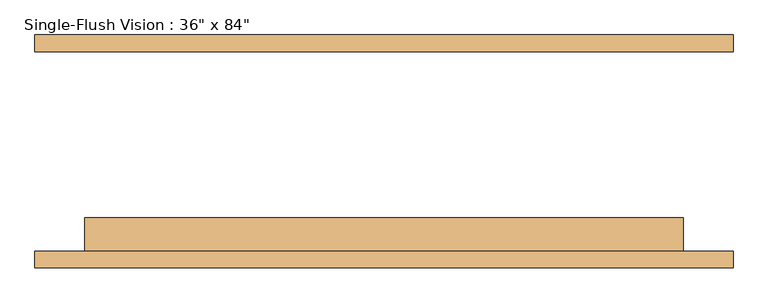
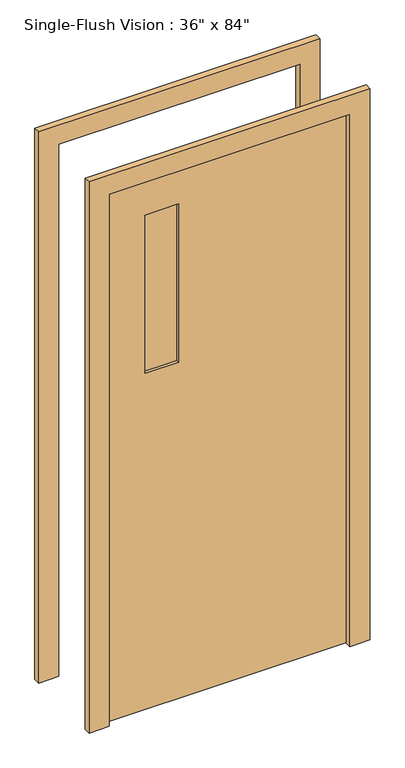
"""IFC4 building model written with IfcOpenShell, lengths in millimetres: door geometry."""

from ifc_helpers import new_model, si_unit, frame, origin, place, context, project, spatial, polyline, outline, extrude, source, transform, mapped, element, save


def door_a20ada56(model_context):
    return source(origin(), model_context, "Body", "SweptSolid", [
        extrude(outline(polyline([(2209.8, -533.4), (0.0, -533.4), (0.0, -457.2), (2133.6, -457.2), (2133.6, 457.2), (0.0, 457.2), (0.0, 533.4), (2209.8, 533.4), (2209.8, -533.4)])), frame((0.0, -177.8, 0.0), z_axis=(0.0, 1.0, 0.0), x_axis=(0.0, 0.0, 1.0)), (0.0, 0.0, 1.0), 25.4),
        extrude(outline(polyline([(2133.6, 457.2), (0.0, 457.2), (0.0, 533.4), (2209.8, 533.4), (2209.8, -533.4), (0.0, -533.4), (0.0, -457.2), (2133.6, -457.2), (2133.6, 457.2)])), frame((0.0, 152.4, 0.0), z_axis=(0.0, 1.0, 0.0), x_axis=(0.0, 0.0, 1.0)), (0.0, 0.0, 1.0), 25.4),
        extrude(outline(polyline([(-177.8, -114.3), (-177.8, -120.65), (-304.8, -120.65), (-304.8, -114.3), (-177.8, -114.3)])), frame((0.0, 0.0, 1346.2), z_axis=(0.0, 0.0, 1.0), x_axis=(1.0, 0.0, 0.0)), (0.0, 0.0, 1.0), 635.0),
        extrude(outline(polyline([(-177.8, -133.35), (-177.8, -139.7), (-304.8, -139.7), (-304.8, -133.35), (-177.8, -133.35)])), frame((0.0, 0.0, 1346.2), z_axis=(0.0, 0.0, 1.0), x_axis=(1.0, 0.0, 0.0)), (0.0, 0.0, 1.0), 635.0),
        extrude(outline(polyline([(2133.6, -457.2), (0.0, -457.2), (0.0, 457.2), (2133.6, 457.2), (2133.6, -457.2)]), holes=[polyline([(1981.2, -304.8), (1981.2, -177.8), (1346.2, -177.8), (1346.2, -304.8), (1981.2, -304.8)])]), frame((0.0, -152.4, 0.0), z_axis=(0.0, 1.0, 0.0), x_axis=(0.0, 0.0, 1.0)), (0.0, 0.0, 1.0), 50.8),
    ])


if __name__ == "__main__":
    model = new_model("IFC4")
    model_context = context("Model", 3, world=origin())
    ifc_project = project(units=[si_unit("LENGTHUNIT", "METRE", prefix="MILLI")], contexts=[model_context])
    site = spatial("IfcSite", under=ifc_project)
    building = spatial("IfcBuilding", under=site)
    placement = place(None, origin())
    door_shape = door_a20ada56(model_context)
    element("IfcDoor", 1, ObjectType="Single-Flush Vision : 36\" x 84\"", at=placement, inside=building, context=model_context, shape_type="MappedRepresentation", body=[
        mapped(door_shape, transform((0.0, 0.0, 0.0), x_axis=(1.0, 0.0, 0.0), y_axis=(0.0, 1.0, 0.0), z_axis=(0.0, 0.0, 1.0))),
    ])
    save(model, "model.ifc")
